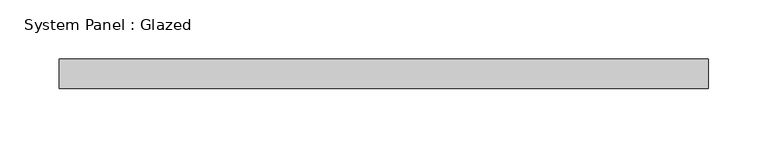
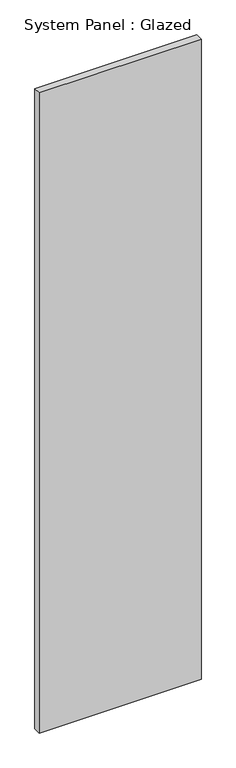
"""IFC4 building model written with IfcOpenShell, lengths in millimetres: plate geometry, System Panel : Glazed."""

from ifc_helpers import new_model, si_unit, origin, origin_with_axes, place, context, project, spatial, polyline, outline, extrude, source, transform, mapped, element, save


def system_panel_glazed_16130ccf(model_context):
    return source(origin(), model_context, "Body", "SweptSolid", [
        extrude(outline(polyline([(275.0, -49.5), (-275.0, -49.5), (-275.0, -24.5), (275.0, -24.5), (275.0, -49.5)])), origin_with_axes(), (0.0, 0.0, 1.0), 2300.0),
    ])


if __name__ == "__main__":
    model = new_model("IFC4")
    model_context = context("Model", 3, world=origin())
    ifc_project = project(units=[si_unit("LENGTHUNIT", "METRE", prefix="MILLI")], contexts=[model_context])
    site = spatial("IfcSite", under=ifc_project)
    building = spatial("IfcBuilding", under=site)
    placement = place(None, origin())
    system_panel_glazed_shape = system_panel_glazed_16130ccf(model_context)
    element("IfcPlate", 1, ObjectType="System Panel : Glazed", at=placement, inside=building, context=model_context, shape_type="MappedRepresentation", body=[
        mapped(system_panel_glazed_shape, transform((0.0, 0.0, 0.0), x_axis=(1.0, 0.0, 0.0), y_axis=(0.0, 1.0, 0.0), z_axis=(0.0, 0.0, 1.0))),
    ])
    save(model, "model.ifc")
